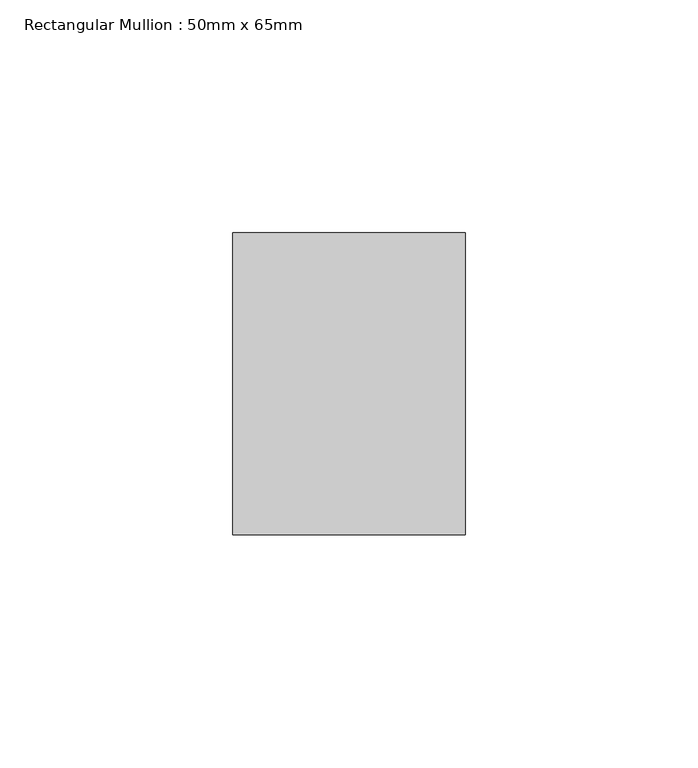
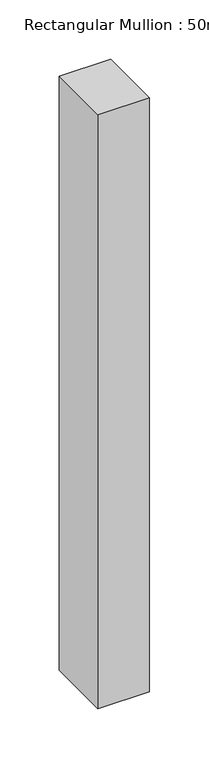
"""IFC4 building model written with IfcOpenShell, lengths in millimetres: member geometry, Rectangular Mullion : 50mm x 65mm."""

from ifc_helpers import new_model, si_unit, frame, origin, place, context, project, spatial, polyline, outline, extrude, source, transform, mapped, element, save


def rectangular_mullion_50mm_x_65mm_38422303(model_context):
    return source(origin(), model_context, "Body", "SweptSolid", [
        extrude(outline(polyline([(25.0, 32.5), (25.0, -32.5), (-25.0, -32.5), (-25.0, 32.5), (25.0, 32.5)])), frame((0.0, 0.0, -610.7645181), z_axis=(0.0, 0.0, 1.0), x_axis=(1.0, 0.0, 0.0)), (0.0, 0.0, 1.0), 610.7645181),
    ])


if __name__ == "__main__":
    model = new_model("IFC4")
    model_context = context("Model", 3, world=origin())
    ifc_project = project(units=[si_unit("LENGTHUNIT", "METRE", prefix="MILLI")], contexts=[model_context])
    site = spatial("IfcSite", under=ifc_project)
    building = spatial("IfcBuilding", under=site)
    placement = place(None, origin())
    rectangular_mullion_50mm_x_65mm_shape = rectangular_mullion_50mm_x_65mm_38422303(model_context)
    element("IfcMember", 1, ObjectType="Rectangular Mullion : 50mm x 65mm", at=placement, inside=building, context=model_context, shape_type="MappedRepresentation", body=[
        mapped(rectangular_mullion_50mm_x_65mm_shape, transform((0.0, 0.0, 0.0), x_axis=(1.0, 0.0, 0.0), y_axis=(0.0, 1.0, 0.0), z_axis=(0.0, 0.0, 1.0))),
    ])
    save(model, "model.ifc")
